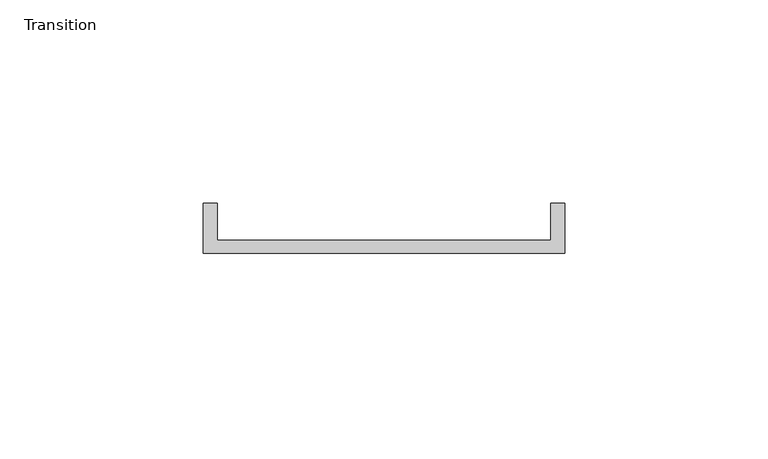
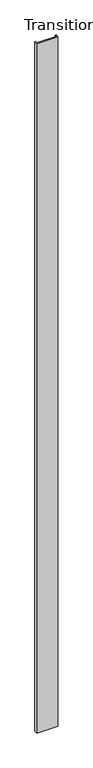
"""IFC4 building model written with IfcOpenShell, lengths in millimetres: furniture geometry, Transition."""

from ifc_helpers import new_model, si_unit, origin, origin_with_axes, place, context, project, spatial, polyline, outline, extrude, source, transform, mapped, element, save


def transition_9abd9edf(model_context):
    return source(origin(), model_context, "Body", "SweptSolid", [
        extrude(outline(polyline([(-14.4728469, -16.6939338), (-11.0400294, -16.6939338), (-11.0400294, -25.773195), (70.9943357, -25.773195), (70.9943357, -16.6939338), (74.4271531, -16.6939338), (74.4271531, -28.948195), (-14.4728469, -28.948195), (-14.4728469, -16.6939338)])), origin_with_axes(), (0.0, 0.0, 1.0), 3048.0),
    ])


if __name__ == "__main__":
    model = new_model("IFC4")
    model_context = context("Model", 3, world=origin())
    ifc_project = project(units=[si_unit("LENGTHUNIT", "METRE", prefix="MILLI")], contexts=[model_context])
    site = spatial("IfcSite", under=ifc_project)
    building = spatial("IfcBuilding", under=site)
    placement = place(None, origin())
    transition_shape = transition_9abd9edf(model_context)
    element("IfcFurniture", 1, ObjectType="Transition", at=placement, inside=building, context=model_context, shape_type="MappedRepresentation", body=[
        mapped(transition_shape, transform((0.0, 0.0, 0.0), x_axis=(1.0, 0.0, 0.0), y_axis=(0.0, 1.0, 0.0), z_axis=(0.0, 0.0, 1.0))),
    ])
    save(model, "model.ifc")
